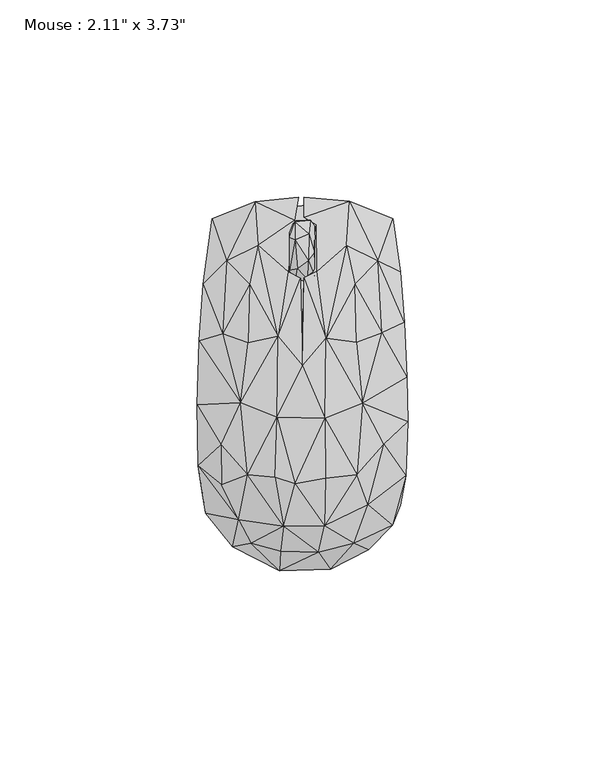
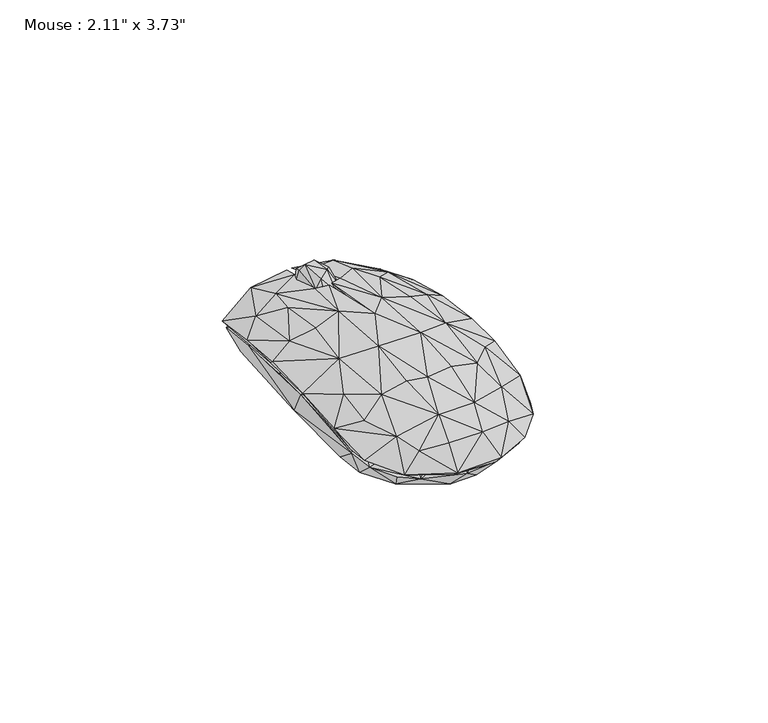
"""IFC4 building model written with IfcOpenShell, lengths in millimetres: furniture geometry."""

from ifc_helpers import new_model, si_unit, origin, place, context, project, spatial, triangles, source, transform, mapped, element, save


def furniture_b4d7a9b0(model_context):
    return source(origin(), model_context, "Body", "Tessellation", [
        triangles([(-1.7870656, 25.5556962, 15.0905907), (1.4279043, 26.2556966, 17.1901639), (-1.2795813, 29.2699862, 20.2893071), (-3.1870662, 28.7699849, 18.0897343), (2.0353862, 41.5199902, 14.9905912), (-1.7870689, 41.1199919, 16.5901631), (1.7353869, 38.1057046, 19.6893074), (3.135389, 27.4628404, 17.4901638), (1.5279033, 31.2771243, 21.0893059), (3.1353879, 33.2842738, 20.0893079), (-3.1870679, 37.2057028, 18.8897343), (-1.8870679, 36.5985564, 20.4893062), (1.5279037, 29.1699832, 6.1931613), (3.235388, 31.9842736, 6.2931615), (3.0353891, 27.1628406, 9.1923049), (-1.6870657, 26.4556958, 8.992304), (-1.6870667, 31.477128, 5.2931618), (-0.0795825, 35.0985571, 5.0931615), (-3.0870671, 33.6914142, 6.1931613), (2.2353867, 37.7057018, 6.3931616), (3.2353866, 39.9199925, 12.4914477), (-3.1870656, 26.8556963, 10.3918768), (-3.0870686, 40.0199909, 11.4914475), (-1.6870684, 39.2128454, 7.4927334), (1.9353862, 41.1199919, 10.091877), (-1.5870689, 41.4199918, 11.7914485), (2.0353894, 25.4556955, 12.9914479)], [[1, 2, 3], [1, 3, 4], [5, 6, 7], [2, 8, 9], [2, 9, 3], [8, 10, 9], [6, 11, 12], [6, 12, 7], [4, 12, 11], [4, 3, 12], [3, 9, 12], [9, 7, 12], [9, 10, 7], [13, 14, 15], [13, 16, 17], [13, 17, 18], [13, 18, 14], [13, 15, 16], [17, 19, 18], [17, 16, 19], [14, 18, 20], [14, 20, 21], [14, 21, 10], [14, 10, 15], [19, 16, 22], [19, 23, 24], [19, 24, 18], [19, 22, 4], [19, 4, 23], [18, 24, 20], [20, 25, 21], [20, 24, 25], [24, 23, 26], [24, 26, 25], [16, 15, 27], [16, 27, 1], [16, 1, 22], [15, 8, 27], [15, 10, 8], [22, 1, 4], [25, 26, 5], [25, 5, 21], [27, 8, 2], [27, 2, 1], [23, 4, 11], [23, 11, 6], [23, 6, 26], [26, 6, 5], [21, 5, 7], [21, 7, 10]]),
        triangles([(-11.1957908, 35.1929509, 15.7576683), (-6.1527722, 12.043485, 22.6493329), (-3.6527763, 28.4764663, 18.7493336), (-2.0097657, 41.52594, 14.4576693), (11.1762607, 35.19296, 15.7576683), (3.6332474, 40.4094475, 14.55767), (3.7332498, 28.5764693, 19.3493345), (6.0332533, 11.6269963, 22.7493336), (-4.7527625, -36.0049312, 19.4493352), (5.6332635, -35.9049282, 19.3493345), (-1.8097518, -25.2719494, 23.3493333), (-6.9527648, -23.6719517, 22.949335), (-13.8957781, -22.9554597, 20.8493338), (5.833261, -23.8719463, 23.0493335), (13.8762731, -22.9554529, 20.8493338), (-6.3527685, -8.4224771, 24.3493336), (5.7332574, -8.6224751, 24.4493343), (3.5332614, -25.7719484, 21.6493349), (-5.7527653, -23.4554587, 21.849334), (4.633259, -15.1389662, 23.0493335), (13.7762723, -22.6554531, 19.6493343), (-15.6387949, -4.7059889, 21.5493319), (-13.7957786, -22.6554599, 19.6493343), (-6.0527686, -8.3224776, 23.1493342), (-13.8957815, -5.705988, 21.0493329), (13.8762697, -5.6059828, 21.0493329), (15.2192813, -4.9059818, 21.7493333), (-0.1097586, 6.1269959, 22.7493336), (6.0332561, -1.3059843, 23.0493335), (0.0902419, 4.6105051, 24.1493345), (-6.1527722, 11.5269944, 21.4493335), (-13.7957842, 10.4269923, 21.0493329), (-15.0387986, 9.6269935, 19.3493345), (5.933252, 16.0434884, 20.7493353), (15.5192778, 11.1269984, 18.9493339), (13.7762655, 10.5269976, 21.0493329), (0.3902371, 26.8764686, 19.9493342), (-0.4097628, 26.7764679, 19.6493343), (-6.1527602, -46.2214202, 7.5660052), (-17.738786, -41.3049325, 8.5660049), (-10.6957736, -40.104933, 13.066005), (0.1902516, -42.7214203, 13.3576705), (5.4332649, -46.4214216, 7.4660045), (-5.7527602, -47.3214211, 8.5660049), (7.1332657, -46.9214229, 8.5660049), (4.1332645, -42.6214173, 14.9576694), (-5.5527611, -42.4214205, 14.8576698), (-12.9957752, -40.3049345, 13.6576693), (12.8762773, -39.5049288, 12.5660049), (16.8192893, -42.0214176, 8.4660053), (5.7332642, -41.1049265, 14.257669), (13.0762776, -40.3049254, 13.6576693), (15.9192863, -33.7884354, 14.6576695), (24.8622997, -30.6884339, 9.4660045), (22.8623014, -35.8049275, 9.7660055), (-16.1387883, -34.3884419, 15.6576687), (-24.4818019, -32.7884397, 10.2660056), (-25.3818037, -27.2719545, 10.5660043), (-15.8387884, -33.7884422, 14.55767), (-5.5527628, -35.3884354, 18.1576682), (4.7332631, -35.3884354, 18.2576701), (16.6192833, -30.5884354, 17.1576702), (26.2623005, -23.2554528, 12.8660047), (-26.3818063, -20.7554623, 13.4576701), (20.1192843, -25.6719455, 15.5576691), (-26.6818061, -5.3059909, 14.9576694), (-20.4387892, -23.3554626, 15.8576701), (26.5622935, 1.7105107, 15.0576701), (26.762295, -9.6224709, 15.0576701), (20.4192819, -14.4389624, 17.5576697), (20.7192817, -15.2389635, 18.6576695), (-25.1818159, 25.2764618, 12.266005), (-26.1818117, 11.0269898, 14.6576695), (-20.2387992, 12.743482, 17.8576684), (-19.2388012, 31.1929543, 14.0576698), (-22.8818201, 41.8259354, 7.3660049), (-25.7818111, 12.7434809, 13.1576691), (24.8622883, 28.4764731, 11.466005), (25.9622916, 15.6434901, 13.9576703), (22.9622862, 41.8259444, 7.3660049), (19.2192734, 31.1929611, 14.0576698), (20.6192788, -1.5059815, 17.8576684), (19.0192742, 30.1929631, 13.0576695), (-11.9957919, 46.2259348, 11.166004), (-15.7388036, 44.2259342, 9.2660047), (-19.538801, 22.3599724, 14.9576694), (-1.0097671, 47.3259403, 11.9660052), (-11.2957904, 34.7929526, 14.55767), (-13.1957879, 24.8764658, 16.95767), (0.4902327, 47.3259403, 12.0660047), (0.4902337, 42.3259412, 14.1576694), (11.9762596, 46.3259423, 11.166004), (11.576259, 45.5259412, 10.2660056), (11.376261, 34.7929594, 14.55767), (-20.4387892, -25.5719516, 16.7576685), (-20.6387929, -15.4389718, 18.6576695), (-20.7818074, -6.8224805, 17.8576684), (20.2192782, 13.0434909, 17.8576684), (-13.3957893, 25.2764641, 18.1576682), (13.3762627, 25.2764686, 18.1576682), (0.890237, 26.476468, 18.7576691), (13.2762631, 24.8764703, 16.95767), (-3.7388519, -39.9733368, 0.003408), (3.9916333, -39.7733354, 0.003408), (-2.1388508, -45.773337, 6.3030804), (-13.6998235, -42.3733447, 6.6030796), (-15.5998256, -33.0558834, 0.003408), (15.6526022, -33.0558766, 0.003408), (7.0221203, -44.9733405, 6.4030799), (-20.9303108, -24.0209652, 0.003408), (20.8830867, -24.1209568, 0.003408), (-23.230309, -33.0558834, 7.8030802), (-18.7998222, -38.9558843, 6.9030801), (15.6526045, -41.2733346, 6.7030804), (23.5830899, -32.5384141, 7.9030804), (-21.9303134, -15.9035044, 0.203408), (-21.6303181, 7.6663335, 0.003408), (-25.1303111, -27.4384256, 9.3030801), (21.9830854, -20.2209564, 0.603408), (21.4830796, 9.3663427, 0.003408), (25.4830875, -24.6209558, 10.1030806), (-26.1303159, -3.3685878, 13.102751), (-24.3303213, 26.2187144, 9.8030796), (-20.3303247, 36.9361721, 0.003408), (7.222103, 38.3361729, 0.003408), (20.3830741, 36.9361789, 0.003408), (22.2830716, 40.8536382, 5.6034081), (24.2830767, 27.218726, 9.6030794), (25.4830784, 12.366343, 12.1027519), (-22.2303269, 40.9536321, 5.6034081), (-5.5388681, 38.4361759, 0.003408), (-10.5693551, 44.8536303, 9.2030799), (7.0221022, 45.4536345, 9.8030796), (17.1525867, 43.1536387, 7.6030799), (-18.6998363, 30.1187171, 11.9027516), (18.7525901, 30.1187239, 11.9027516), (-3.2388515, -41.9733373, 11.7027513), (-5.8388526, -37.3558821, 15.4027515), (-13.0693376, -35.3558838, 13.9027522), (5.291634, -41.573339, 11.802752), (19.1526032, -33.655874, 10.9030795), (13.0526042, -35.355877, 13.9027522), (-20.3303111, -22.8209635, 14.6027515), (19.9830849, -22.220957, 15.002752), (-26.0303129, -14.8035068, 12.3027522), (26.0830827, -11.9860348, 12.602752), (-25.7303199, 8.2663315, 12.602752), (-19.7303182, 12.6663349, 15.6027517), (-8.8693527, 36.2361739, 13.2027506), (0.8916183, 34.5361709, 14.9027513), (12.8221041, 29.7187211, 14.3027516), (6.2916184, 33.1361746, 14.9027513), (1.6916327, -35.7558798, 17.0024244), (6.7221182, -33.7558793, 17.2024236), (-6.2388543, -29.2384224, 19.002425), (-13.4998266, -26.2209649, 17.6024253), (13.5526021, -26.2209558, 17.6024253), (-20.2303149, -9.8860449, 16.80275), (-13.6998292, -14.3035033, 19.6024259), (20.5830846, -5.7685779, 16.7027527), (13.752599, -14.3034976, 19.6024259), (-16.199831, -0.868586, 18.6024256), (19.8830796, 9.5663413, 16.0027523), (13.7525967, -2.1685797, 19.802425), (-13.0693512, 24.6012555, 15.802752), (-13.4998335, 10.1663353, 18.6024256), (13.5525953, 10.166341, 18.6024256), (-6.1388655, 24.3012579, 17.5024257), (6.722108, 16.3837974, 19.3024237), (1.6916222, 15.1837957, 20.0024242), (1.6916305, -24.6209604, 20.802423), (6.9221156, -22.9209597, 20.5024232), (-6.2388566, -17.6035017, 21.402425), (6.4916272, -12.0860389, 21.8024256), (1.1916272, -8.8860401, 22.4024253), (-6.0388591, -5.4685837, 22.0024247), (6.9221111, -0.668581, 21.5024234), (1.6916244, 4.2488799, 21.7024226), (-6.1388615, 7.6663369, 20.802423)], [[1, 2, 3], [1, 3, 4], [5, 6, 7], [5, 7, 8], [9, 10, 11], [9, 12, 13], [9, 11, 12], [10, 14, 11], [10, 15, 14], [12, 11, 16], [12, 16, 13], [11, 14, 17], [11, 17, 16], [18, 19, 20], [18, 20, 21], [14, 15, 17], [13, 16, 22], [23, 24, 19], [23, 25, 24], [19, 24, 20], [21, 20, 26], [15, 27, 17], [20, 24, 28], [20, 29, 26], [20, 28, 29], [16, 17, 30], [16, 30, 2], [16, 2, 22], [24, 25, 31], [24, 31, 28], [17, 27, 8], [17, 8, 30], [22, 2, 32], [25, 33, 31], [29, 28, 34], [29, 35, 26], [29, 34, 35], [27, 36, 8], [30, 8, 37], [30, 38, 2], [30, 28, 38], [30, 37, 28], [31, 3, 38], [31, 38, 28], [8, 7, 37], [2, 38, 3], [39, 40, 41], [39, 41, 42], [39, 42, 43], [39, 44, 40], [39, 43, 44], [44, 45, 46], [44, 47, 48], [44, 46, 47], [44, 48, 40], [44, 43, 45], [43, 49, 50], [43, 42, 51], [43, 51, 49], [43, 50, 45], [45, 50, 52], [45, 52, 46], [50, 49, 53], [50, 53, 54], [50, 54, 55], [50, 55, 52], [40, 48, 56], [40, 56, 57], [40, 58, 59], [40, 59, 41], [40, 57, 58], [41, 59, 60], [41, 60, 42], [49, 51, 61], [49, 61, 53], [55, 62, 52], [55, 63, 62], [55, 54, 63], [57, 56, 64], [57, 64, 58], [54, 53, 65], [54, 65, 63], [58, 64, 66], [58, 67, 59], [58, 66, 67], [63, 68, 69], [63, 65, 70], [63, 70, 68], [63, 71, 62], [63, 69, 71], [72, 73, 74], [72, 74, 75], [72, 75, 76], [72, 76, 77], [72, 77, 73], [78, 79, 68], [78, 80, 81], [78, 81, 79], [78, 82, 35], [78, 68, 82], [78, 83, 80], [78, 35, 83], [76, 84, 85], [76, 75, 84], [76, 85, 86], [76, 86, 77], [85, 84, 87], [85, 87, 88], [85, 89, 86], [85, 88, 89], [84, 75, 1], [84, 1, 4], [84, 4, 87], [87, 4, 88], [90, 91, 92], [90, 93, 91], [90, 92, 93], [93, 80, 83], [93, 94, 6], [93, 83, 94], [93, 6, 91], [93, 92, 80], [92, 5, 81], [92, 81, 80], [92, 6, 5], [92, 91, 6], [47, 9, 48], [47, 46, 9], [42, 60, 61], [42, 61, 51], [46, 52, 10], [46, 10, 9], [48, 9, 56], [52, 62, 10], [56, 9, 13], [56, 13, 95], [56, 95, 64], [59, 67, 23], [59, 23, 60], [60, 18, 61], [60, 23, 19], [60, 19, 18], [61, 18, 21], [61, 21, 53], [53, 21, 65], [62, 71, 15], [62, 15, 10], [95, 96, 64], [95, 13, 96], [65, 21, 70], [64, 96, 66], [67, 97, 23], [67, 66, 97], [96, 13, 22], [96, 22, 66], [70, 82, 68], [70, 21, 26], [70, 26, 82], [71, 69, 27], [71, 27, 15], [97, 66, 77], [97, 77, 33], [97, 25, 23], [97, 33, 25], [69, 68, 27], [66, 73, 77], [66, 22, 73], [82, 26, 35], [68, 98, 27], [68, 79, 98], [73, 22, 74], [77, 86, 33], [74, 99, 75], [74, 22, 32], [74, 32, 99], [98, 79, 81], [98, 100, 36], [98, 81, 100], [98, 36, 27], [86, 89, 33], [99, 1, 75], [99, 32, 2], [99, 2, 1], [89, 88, 31], [89, 31, 33], [101, 37, 7], [101, 94, 34], [101, 6, 94], [101, 34, 28], [101, 28, 37], [101, 7, 6], [102, 94, 83], [102, 83, 35], [102, 35, 34], [102, 34, 94], [100, 5, 8], [100, 81, 5], [100, 8, 36], [88, 4, 3], [88, 3, 31], [103, 104, 105], [103, 105, 106], [103, 107, 104], [103, 106, 107], [104, 107, 108], [104, 109, 105], [104, 108, 109], [107, 110, 111], [107, 111, 108], [107, 112, 110], [107, 113, 112], [107, 106, 113], [108, 114, 109], [108, 111, 115], [108, 115, 114], [110, 116, 117], [110, 117, 111], [110, 112, 118], [110, 118, 116], [111, 119, 115], [111, 117, 120], [111, 120, 119], [119, 120, 121], [119, 121, 115], [116, 118, 117], [117, 118, 122], [117, 123, 124], [117, 122, 123], [117, 124, 120], [120, 124, 125], [120, 125, 126], [120, 126, 127], [120, 127, 128], [120, 128, 129], [120, 129, 121], [124, 130, 131], [124, 131, 125], [124, 123, 130], [131, 130, 132], [131, 132, 125], [125, 132, 133], [125, 133, 134], [125, 134, 126], [126, 134, 127], [130, 123, 135], [130, 135, 132], [127, 134, 136], [127, 136, 128], [106, 137, 138], [106, 112, 113], [106, 105, 137], [106, 139, 112], [106, 138, 139], [105, 109, 140], [105, 140, 137], [109, 114, 140], [114, 141, 142], [114, 115, 141], [114, 142, 140], [112, 139, 143], [112, 143, 118], [141, 115, 121], [141, 121, 144], [141, 144, 142], [118, 145, 122], [118, 143, 145], [121, 129, 146], [121, 146, 144], [123, 147, 148], [123, 148, 135], [123, 122, 147], [128, 136, 129], [132, 135, 149], [132, 149, 150], [132, 150, 133], [133, 151, 134], [133, 150, 152], [133, 152, 151], [134, 151, 136], [137, 140, 153], [137, 153, 138], [140, 142, 154], [140, 154, 153], [139, 138, 155], [139, 155, 156], [139, 156, 143], [138, 153, 155], [142, 144, 157], [142, 157, 154], [143, 158, 145], [143, 156, 159], [143, 159, 158], [144, 146, 160], [144, 160, 161], [144, 161, 157], [145, 158, 122], [158, 159, 162], [158, 162, 122], [146, 129, 160], [122, 162, 147], [160, 163, 164], [160, 129, 163], [160, 164, 161], [147, 162, 148], [148, 165, 135], [148, 162, 166], [148, 166, 165], [163, 129, 136], [163, 151, 167], [163, 136, 151], [163, 167, 164], [165, 149, 135], [165, 166, 168], [165, 168, 149], [151, 152, 169], [151, 169, 167], [149, 168, 150], [150, 170, 152], [150, 168, 170], [152, 170, 169], [153, 154, 171], [153, 171, 155], [154, 172, 171], [154, 157, 172], [155, 171, 173], [155, 173, 156], [156, 173, 159], [171, 172, 174], [171, 175, 173], [171, 174, 175], [172, 157, 161], [172, 161, 174], [159, 173, 176], [159, 176, 162], [173, 175, 176], [161, 177, 174], [161, 164, 177], [175, 174, 177], [175, 177, 178], [175, 178, 176], [162, 176, 179], [162, 179, 166], [176, 178, 179], [177, 164, 167], [177, 167, 169], [177, 170, 178], [177, 169, 170], [178, 170, 179], [166, 179, 168], [179, 170, 168]]),
    ])


if __name__ == "__main__":
    model = new_model("IFC4")
    model_context = context("Model", 3, world=origin())
    ifc_project = project(units=[si_unit("LENGTHUNIT", "METRE", prefix="MILLI")], contexts=[model_context])
    site = spatial("IfcSite", under=ifc_project)
    building = spatial("IfcBuilding", under=site)
    placement = place(None, origin())
    furniture_shape = furniture_b4d7a9b0(model_context)
    element("IfcFurniture", 1, ObjectType="Mouse : 2.11\" x 3.73\"", at=placement, inside=building, context=model_context, shape_type="MappedRepresentation", body=[
        mapped(furniture_shape, transform((0.0, 0.0, 0.0), x_axis=(1.0, 0.0, 0.0), y_axis=(0.0, 1.0, 0.0), z_axis=(0.0, 0.0, 1.0))),
    ])
    save(model, "model.ifc")
